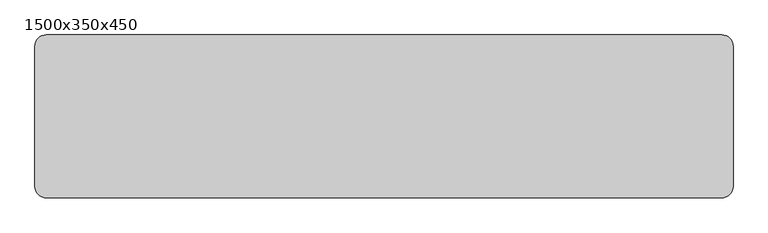
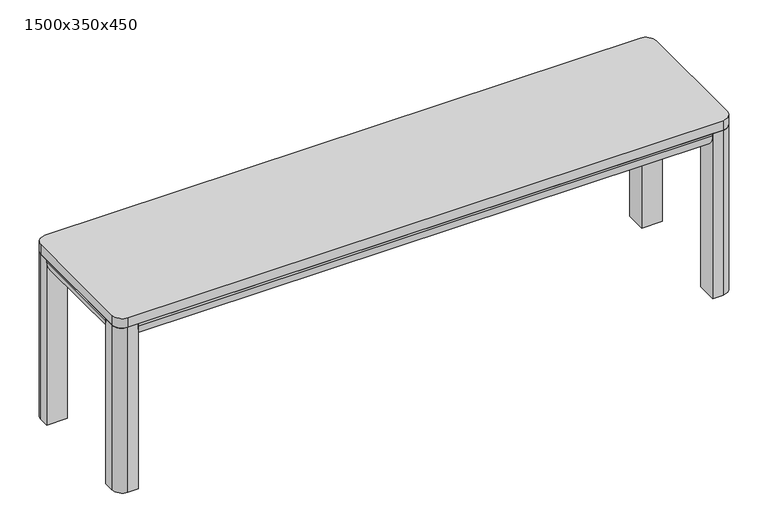
"""IFC4 building model written with IfcOpenShell, lengths in millimetres: furniture geometry, 1500x350x450."""

from ifc_helpers import new_model, si_unit, point, frame, frame_2d, origin, origin_with_axes, place, context, project, spatial, polyline, circle_curve, trimmed, segment, composite_curve, outline, extrude, source, transform, mapped, element, save


def furniture_1500x350x450_20a118fe(model_context):
    return source(origin(), model_context, "Body", "SweptSolid", [
        extrude(outline(composite_curve([segment(polyline([(425.0, 50.0), (425.0, 0.0), (419.5872996, 0.0)]), True, "CONTINUOUS"), segment(trimmed(circle_curve(frame_2d((419.5872996, 35.0)), 35.0), [point((419.5872996, 0.0))], [point((385.0, 29.6410162))], False, "CARTESIAN"), True, "CONTINUOUS"), segment(polyline([(385.0, 29.6410162), (385.0, 50.0), (425.0, 50.0)]), True, "CONTINUOUS")], self_intersect=False)), frame((0.0, -300.0, 0.0), z_axis=(0.0, 1.0, 0.0), x_axis=(0.0, 0.0, 1.0)), (0.0, 0.0, 1.0), 250.0),
        extrude(outline(composite_curve([segment(polyline([(425.0, 1450.0), (385.0, 1450.0), (385.0, 1470.3589838)]), True, "CONTINUOUS"), segment(trimmed(circle_curve(frame_2d((419.5872996, 1465.0)), 35.0), [point((385.0, 1470.3589838))], [point((419.5872996, 1500.0))], False, "CARTESIAN"), True, "CONTINUOUS"), segment(polyline([(419.5872996, 1500.0), (425.0, 1500.0), (425.0, 1450.0)]), True, "CONTINUOUS")], self_intersect=False)), frame((0.0, -300.0, 0.0), z_axis=(0.0, 1.0, 0.0), x_axis=(0.0, 0.0, 1.0)), (0.0, 0.0, 1.0), 250.0),
        extrude(outline(composite_curve([segment(polyline([(-300.0, 425.0), (-300.0, 385.0), (-320.3589838, 385.0)]), True, "CONTINUOUS"), segment(trimmed(circle_curve(frame_2d((-315.0, 419.5872996)), 35.0), [point((-320.3589838, 385.0))], [point((-350.0, 419.5872996))], False, "CARTESIAN"), True, "CONTINUOUS"), segment(polyline([(-350.0, 419.5872996), (-350.0, 425.0), (-300.0, 425.0)]), True, "CONTINUOUS")], self_intersect=False)), frame((50.0, 0.0, 0.0), z_axis=(1.0, 0.0, 0.0), x_axis=(0.0, 1.0, 0.0)), (0.0, 0.0, 1.0), 1400.0),
        extrude(outline(composite_curve([segment(trimmed(circle_curve(frame_2d((24.5098039, -325.4901961)), 24.5098039), [point((24.5098039, -350.0))], [point((0.0, -325.4901961))], False, "CARTESIAN"), True, "CONTINUOUS"), segment(polyline([(0.0, -325.4901961), (0.0, -300.0), (50.0, -300.0), (50.0, -350.0), (24.5098039, -350.0)]), True, "CONTINUOUS")], self_intersect=False)), origin_with_axes(), (0.0, 0.0, 1.0), 425.0),
        extrude(outline(composite_curve([segment(trimmed(circle_curve(frame_2d((24.5098039, -24.5098039)), 24.5098039), [point((0.0, -24.5098039))], [point((24.5098039, 0.0))], False, "CARTESIAN"), True, "CONTINUOUS"), segment(polyline([(24.5098039, 0.0), (50.0, 0.0), (50.0, -50.0), (0.0, -50.0), (0.0, -24.5098039)]), True, "CONTINUOUS")], self_intersect=False)), origin_with_axes(), (0.0, 0.0, 1.0), 425.0),
        extrude(outline(composite_curve([segment(trimmed(circle_curve(frame_2d((1475.4901961, -24.5098039)), 24.5098039), [point((1475.4901961, 0.0))], [point((1500.0, -24.5098039))], False, "CARTESIAN"), True, "CONTINUOUS"), segment(polyline([(1500.0, -24.5098039), (1500.0, -50.0), (1450.0, -50.0), (1450.0, 0.0), (1475.4901961, 0.0)]), True, "CONTINUOUS")], self_intersect=False)), origin_with_axes(), (0.0, 0.0, 1.0), 425.0),
        extrude(outline(composite_curve([segment(trimmed(circle_curve(frame_2d((1475.4901961, -325.4901961)), 24.5098039), [point((1500.0, -325.4901961))], [point((1475.4901961, -350.0))], False, "CARTESIAN"), True, "CONTINUOUS"), segment(polyline([(1475.4901961, -350.0), (1450.0, -350.0), (1450.0, -300.0), (1500.0, -300.0), (1500.0, -325.4901961)]), True, "CONTINUOUS")], self_intersect=False)), origin_with_axes(), (0.0, 0.0, 1.0), 425.0),
        extrude(outline(composite_curve([segment(polyline([(-50.0, 425.0), (0.0, 425.0), (0.0, 419.5872996)]), True, "CONTINUOUS"), segment(trimmed(circle_curve(frame_2d((-35.0, 419.5872996)), 35.0), [point((0.0, 419.5872996))], [point((-29.6410162, 385.0))], False, "CARTESIAN"), True, "CONTINUOUS"), segment(polyline([(-29.6410162, 385.0), (-50.0, 385.0), (-50.0, 425.0)]), True, "CONTINUOUS")], self_intersect=False)), frame((50.0, 0.0, 0.0), z_axis=(1.0, 0.0, 0.0), x_axis=(0.0, 1.0, 0.0)), (0.0, 0.0, 1.0), 1400.0),
        extrude(outline(composite_curve([segment(trimmed(circle_curve(frame_2d((1475.4901961, -24.5098039)), 24.5098039), [point((1475.4901961, 0.0))], [point((1500.0, -24.5098039))], False, "CARTESIAN"), True, "CONTINUOUS"), segment(polyline([(1500.0, -24.5098039), (1500.0, -325.4901961)]), True, "CONTINUOUS"), segment(trimmed(circle_curve(frame_2d((1475.4901961, -325.4901961)), 24.5098039), [point((1500.0, -325.4901961))], [point((1475.4901961, -350.0))], False, "CARTESIAN"), True, "CONTINUOUS"), segment(polyline([(1475.4901961, -350.0), (24.5098039, -350.0)]), True, "CONTINUOUS"), segment(trimmed(circle_curve(frame_2d((24.5098039, -325.4901961)), 24.5098039), [point((24.5098039, -350.0))], [point((0.0, -325.4901961))], False, "CARTESIAN"), True, "CONTINUOUS"), segment(polyline([(0.0, -325.4901961), (0.0, -24.5098039)]), True, "CONTINUOUS"), segment(trimmed(circle_curve(frame_2d((24.5098039, -24.5098039)), 24.5098039), [point((0.0, -24.5098039))], [point((24.5098039, 0.0))], False, "CARTESIAN"), True, "CONTINUOUS"), segment(polyline([(24.5098039, 0.0), (1475.4901961, 0.0)]), True, "CONTINUOUS")], self_intersect=False)), frame((0.0, 0.0, 425.0), z_axis=(0.0, 0.0, 1.0), x_axis=(1.0, 0.0, 0.0)), (0.0, 0.0, 1.0), 25.0),
    ])


if __name__ == "__main__":
    model = new_model("IFC4")
    model_context = context("Model", 3, world=origin())
    ifc_project = project(units=[si_unit("LENGTHUNIT", "METRE", prefix="MILLI")], contexts=[model_context])
    site = spatial("IfcSite", under=ifc_project)
    building = spatial("IfcBuilding", under=site)
    placement = place(None, origin())
    furniture_1500x350x450_shape = furniture_1500x350x450_20a118fe(model_context)
    element("IfcFurniture", 1, ObjectType="1500x350x450", at=placement, inside=building, context=model_context, shape_type="MappedRepresentation", body=[
        mapped(furniture_1500x350x450_shape, transform((0.0, 0.0, 0.0), x_axis=(1.0, 0.0, 0.0), y_axis=(0.0, 1.0, 0.0), z_axis=(0.0, 0.0, 1.0))),
    ])
    save(model, "model.ifc")
